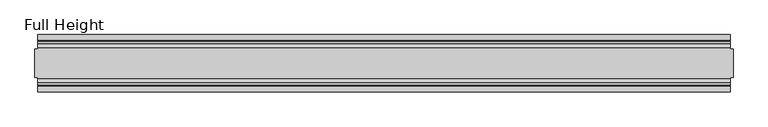
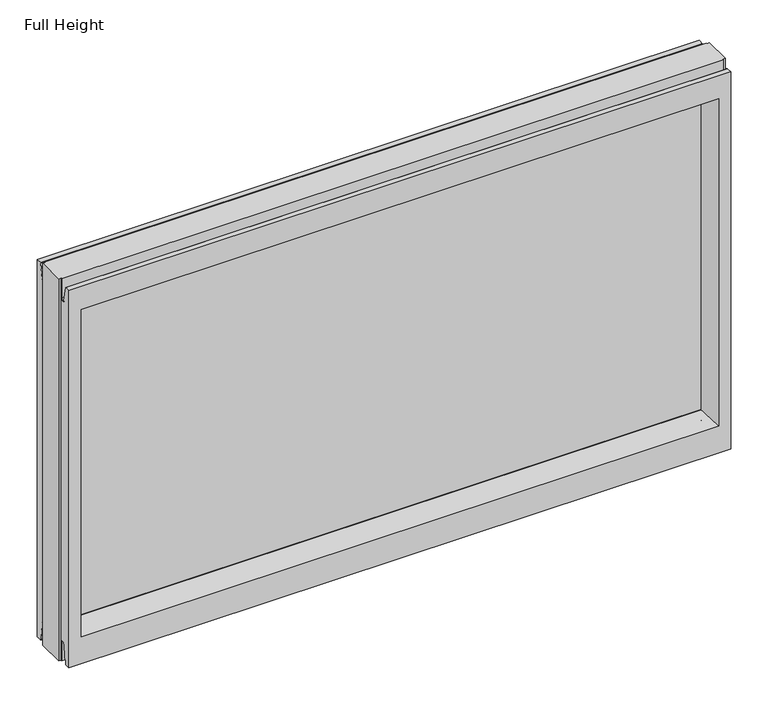
"""IFC4 building model written with IfcOpenShell, lengths in millimetres: plate geometry, Full Height."""

from ifc_helpers import new_model, si_unit, frame, origin, place, context, project, spatial, polyline, circle_curve, outline, extrude, source, transform, mapped, element, save
from ifc_brep_helpers import plane_surface, cylinder_surface, revolved_surface, advanced_brep


def full_height_c72b47f8(model_context):
    return source(origin(), model_context, "Body", "SolidModel", [
        advanced_brep(
        [(609.6, 25.146, 739.14), (605.028, 25.146, 739.14), (605.028, 26.67, 739.14), (-605.028, 26.67, 739.14), (-605.028, 25.146, 739.14), (-609.6, 25.146, 739.14), (-609.6, -25.146, 739.14), (-605.028, -25.146, 739.14), (-605.028, -26.67, 739.14), (605.028, -26.67, 739.14), (605.028, -25.146, 739.14), (609.6, -25.146, 739.14), (609.6, 25.146, 0.0), (609.6, -25.146, 0.0), (605.028, -25.146, 0.0), (605.028, -26.67, 0.0), (-605.028, -26.67, 0.0), (-605.028, -25.146, 0.0), (-609.6, -25.146, 0.0), (-609.6, 25.146, 0.0), (-605.028, 25.146, 0.0), (-605.028, 26.67, 0.0), (605.028, 26.67, 0.0), (605.028, 25.146, 0.0), (-605.028, 40.7946686, 0.0), (-605.028, 50.0, 0.0), (605.028, 50.0, 0.0), (605.028, 40.7946686, 0.0), (-605.028, 26.67, 36.4542208), (605.028, 26.67, 36.4542208), (-605.028, -26.67, 36.4542208), (-605.028, -34.2686707, 36.8568054), (-605.028, -36.9464913, 11.6561909), (-605.028, -39.043018, 8.6755976), (-605.028, -39.5246686, 7.9074686), (-605.028, -39.5246686, 1.27), (-605.028, -40.7946686, 0.0), (-605.028, -50.0, 0.0), (-605.028, -50.0, 729.996), (-605.028, -39.9371387, 729.996), (-605.028, -39.1867152, 729.3663199), (-605.028, -34.2321175, 701.2674004), (-605.028, -26.67, 701.929), (-605.028, 39.5246686, 1.27), (-605.028, 39.5246686, 7.9074686), (-605.028, 39.043018, 8.6755976), (-605.028, 36.9464913, 11.6561909), (-605.028, 34.2686707, 36.8568054), (-605.028, 26.67, 701.929), (-605.028, 34.2321175, 701.2674004), (-605.028, 39.1867152, 729.3663199), (-605.028, 39.9371387, 729.996), (-605.028, 50.0, 729.996), (605.028, -50.0, 0.0), (605.028, -50.0, 729.996), (-582.93, -50.0, 685.419), (582.93, -50.0, 685.419), (582.93, -50.0, 52.8372208), (-582.93, -50.0, 52.8372208), (605.028, 50.0, 729.996), (-582.93, 50.0, 52.8372208), (582.93, 50.0, 52.8372208), (582.93, 50.0, 685.419), (-582.93, 50.0, 685.419), (-576.961, -6.1006519, 58.8062208), (-576.961, -6.1006519, 679.45), (-576.961, 6.1006519, 679.45), (-576.961, 6.1006519, 58.8062208), (576.961, 6.1006519, 58.8062208), (576.961, 6.1006519, 679.45), (576.961, -6.1006519, 679.45), (576.961, -6.1006519, 58.8062208), (605.028, -40.7946686, 0.0), (605.028, -39.5246686, 1.27), (605.028, -39.5246686, 7.9074686), (605.028, -39.043018, 8.6755976), (605.028, -36.9464913, 11.6561909), (605.028, -34.2686707, 36.8568054), (605.028, -26.67, 36.4542208), (605.028, -26.67, 701.929), (605.028, -34.2321175, 701.2674004), (605.028, -39.1867152, 729.3663199), (605.028, -39.9371387, 729.996), (605.028, 39.9371387, 729.996), (605.028, 39.1867152, 729.3663199), (605.028, 34.2321175, 701.2674004), (605.028, 26.67, 701.929), (605.028, 34.2686707, 36.8568054), (605.028, 36.9464913, 11.6561909), (605.028, 39.043018, 8.6755976), (605.028, 39.5246686, 7.9074686), (605.028, 39.5246686, 1.27)],
        [
            (0, 1),
            (1, 2),
            (2, 3),
            (3, 4),
            (4, 5),
            (5, 6),
            (6, 7),
            (7, 8),
            (8, 9),
            (9, 10),
            (10, 11),
            (11, 0),
            (12, 13),
            (13, 14),
            (14, 15),
            (15, 16),
            (16, 17),
            (17, 18),
            (18, 19),
            (19, 20),
            (20, 21),
            (21, 22),
            (22, 23),
            (23, 12),
            (23, 1),
            (0, 12),
            (10, 14),
            (13, 11),
            (5, 19),
            (18, 6),
            (17, 7),
            (4, 20),
            (24, 25),
            (25, 26),
            (26, 27),
            (27, 24),
            (21, 28),
            (28, 29),
            (29, 22),
            (16, 30),
            (30, 31, circle_curve(frame((-605.028, -30.48, 36.4542208), z_axis=(1.0, 0.0, 0.0), x_axis=(0.0, -1.0, 0.0)), 3.81)),
            (31, 32),
            (32, 33, circle_curve(frame((-605.028, -40.6770502, 12.0526006), z_axis=(-1.0, 0.0, 0.0), x_axis=(0.0, -1.0, 0.0)), 3.751561)),
            (33, 34, circle_curve(frame((-605.028, -38.671343, 7.9074686), z_axis=(1.0, 0.0, 0.0), x_axis=(0.0, -1.0, 0.0)), 0.8533256)),
            (34, 35),
            (35, 36, circle_curve(frame((-605.028, -40.7946686, 1.27), z_axis=(-1.0, 0.0, 0.0), x_axis=(0.0, -1.0, 0.0)), 1.27)),
            (36, 37),
            (37, 38),
            (38, 39),
            (39, 40, circle_curve(frame((-605.028, -39.9371387, 729.234), z_axis=(-1.0, 0.0, 0.0), x_axis=(0.0, -1.0, 0.0)), 0.762)),
            (40, 41),
            (41, 42, circle_curve(frame((-605.028, -30.48, 701.929), z_axis=(1.0, 0.0, 0.0), x_axis=(0.0, -1.0, 0.0)), 3.81)),
            (42, 8),
            (24, 43, circle_curve(frame((-605.028, 40.7946686, 1.27), z_axis=(-1.0, 0.0, 0.0), x_axis=(0.0, -1.0, 0.0)), 1.27)),
            (43, 44),
            (44, 45, circle_curve(frame((-605.028, 38.671343, 7.9074686), z_axis=(1.0, 0.0, 0.0), x_axis=(0.0, -1.0, 0.0)), 0.8533256)),
            (45, 46, circle_curve(frame((-605.028, 40.6770502, 12.0526006), z_axis=(-1.0, 0.0, 0.0), x_axis=(0.0, -1.0, 0.0)), 3.751561)),
            (46, 47),
            (47, 28, circle_curve(frame((-605.028, 30.48, 36.4542208), z_axis=(1.0, 0.0, 0.0), x_axis=(0.0, -1.0, 0.0)), 3.81)),
            (3, 48),
            (48, 49, circle_curve(frame((-605.028, 30.48, 701.929), z_axis=(1.0, 0.0, 0.0), x_axis=(0.0, -1.0, 0.0)), 3.81)),
            (49, 50),
            (50, 51, circle_curve(frame((-605.028, 39.9371387, 729.234), z_axis=(-1.0, 0.0, 0.0), x_axis=(0.0, -1.0, 0.0)), 0.762)),
            (51, 52),
            (52, 25),
            (37, 53),
            (53, 54),
            (54, 38),
            (55, 56),
            (56, 57),
            (57, 58),
            (58, 55),
            (52, 59),
            (59, 26),
            (60, 61),
            (61, 62),
            (62, 63),
            (63, 60),
            (58, 64),
            (64, 65),
            (65, 55),
            (63, 66),
            (66, 67),
            (67, 60),
            (61, 68),
            (68, 69),
            (69, 62),
            (70, 71),
            (71, 57),
            (56, 70),
            (53, 72),
            (72, 73, circle_curve(frame((605.028, -40.7946686, 1.27), z_axis=(1.0, 0.0, 0.0), x_axis=(0.0, -1.0, 0.0)), 1.27)),
            (73, 74),
            (74, 75, circle_curve(frame((605.028, -38.671343, 7.9074686), z_axis=(-1.0, 0.0, 0.0), x_axis=(0.0, -1.0, 0.0)), 0.8533256)),
            (75, 76, circle_curve(frame((605.028, -40.6770502, 12.0526006), z_axis=(1.0, 0.0, 0.0), x_axis=(0.0, -1.0, 0.0)), 3.751561)),
            (76, 77),
            (77, 78, circle_curve(frame((605.028, -30.48, 36.4542208), z_axis=(-1.0, 0.0, 0.0), x_axis=(0.0, -1.0, 0.0)), 3.81)),
            (78, 15),
            (9, 79),
            (79, 80, circle_curve(frame((605.028, -30.48, 701.929), z_axis=(-1.0, 0.0, 0.0), x_axis=(0.0, -1.0, 0.0)), 3.81)),
            (80, 81),
            (81, 82, circle_curve(frame((605.028, -39.9371387, 729.234), z_axis=(1.0, 0.0, 0.0), x_axis=(0.0, -1.0, 0.0)), 0.762)),
            (82, 54),
            (59, 83),
            (83, 84, circle_curve(frame((605.028, 39.9371387, 729.234), z_axis=(1.0, 0.0, 0.0), x_axis=(0.0, -1.0, 0.0)), 0.762)),
            (84, 85),
            (85, 86, circle_curve(frame((605.028, 30.48, 701.929), z_axis=(-1.0, 0.0, 0.0), x_axis=(0.0, -1.0, 0.0)), 3.81)),
            (86, 2),
            (29, 87, circle_curve(frame((605.028, 30.48, 36.4542208), z_axis=(-1.0, 0.0, 0.0), x_axis=(0.0, -1.0, 0.0)), 3.81)),
            (87, 88),
            (88, 89, circle_curve(frame((605.028, 40.6770502, 12.0526006), z_axis=(1.0, 0.0, 0.0), x_axis=(0.0, -1.0, 0.0)), 3.751561)),
            (89, 90, circle_curve(frame((605.028, 38.671343, 7.9074686), z_axis=(-1.0, 0.0, 0.0), x_axis=(0.0, -1.0, 0.0)), 0.8533256)),
            (90, 91),
            (91, 27, circle_curve(frame((605.028, 40.7946686, 1.27), z_axis=(1.0, 0.0, 0.0), x_axis=(0.0, -1.0, 0.0)), 1.27)),
            (91, 43),
            (90, 44),
            (89, 45),
            (88, 46),
            (87, 47),
            (78, 30),
            (31, 77),
            (76, 32),
            (75, 33),
            (74, 34),
            (73, 35),
            (72, 36),
            (71, 64),
            (67, 68),
            (86, 48),
            (85, 49),
            (84, 50),
            (83, 51),
            (69, 66),
            (65, 70),
            (82, 39),
            (81, 40),
            (80, 41),
            (79, 42),
            (65, 66),
            (69, 70),
            (71, 68),
            (67, 64),
        ],
        [
            plane_surface(frame((605.028, 25.146, 739.14), z_axis=(0.0, 0.0, 1.0), x_axis=(-1.0, 0.0, 0.0))),
            plane_surface(frame((605.028, 25.146, 0.0), z_axis=(0.0, 0.0, -1.0), x_axis=(1.0, 0.0, 0.0))),
            plane_surface(frame((609.6, 25.146, 739.14), z_axis=(0.0, 1.0, 0.0), x_axis=(0.0, 0.0, -1.0))),
            plane_surface(frame((605.028, -25.146, 739.14), z_axis=(0.0, -1.0, 0.0), x_axis=(0.0, 0.0, -1.0))),
            plane_surface(frame((609.6, -25.146, 739.14), z_axis=(1.0, 0.0, 0.0), x_axis=(0.0, 0.0, -1.0))),
            plane_surface(frame((-609.6, 25.146, 739.14), z_axis=(-1.0, 0.0, 0.0), x_axis=(0.0, 0.0, -1.0))),
            plane_surface(frame((-609.6, -25.146, 739.14), z_axis=(0.0, -1.0, 0.0), x_axis=(0.0, 0.0, -1.0))),
            plane_surface(frame((-605.028, 25.146, 739.14), z_axis=(0.0, 1.0, 0.0), x_axis=(0.0, 0.0, -1.0))),
            plane_surface(frame((-605.028, 50.0, 0.0), z_axis=(0.0, 0.0, -1.0), x_axis=(1.0, 0.0, 0.0))),
            plane_surface(frame((-605.028, 26.67, 36.4542208), z_axis=(0.0, 1.0, 0.0), x_axis=(1.0, 0.0, 0.0))),
            plane_surface(frame((-605.028, 50.0, 697.2046), z_axis=(-1.0, 0.0, 0.0), x_axis=(0.0, 0.0, -1.0))),
            plane_surface(frame((-605.028, -50.0, 697.2046), z_axis=(0.0, -1.0, 0.0), x_axis=(0.0, 0.0, -1.0))),
            plane_surface(frame((-582.93, 50.0, 697.2046), z_axis=(0.0, 1.0, 0.0), x_axis=(0.0, 0.0, -1.0))),
            plane_surface(frame((-582.93, -50.0, 697.2046), z_axis=(0.9908822943533606, -0.13473039277393942, 0.0), x_axis=(0.0, 0.0, -1.0))),
            plane_surface(frame((-576.961, 6.1006519, 697.2046), z_axis=(0.9908822943533612, 0.13473039277393595, 0.0), x_axis=(0.0, 0.0, -1.0))),
            plane_surface(frame((582.93, 50.0, 697.2046), z_axis=(-0.9908822943533605, 0.1347303927739403, 0.0), x_axis=(0.0, 0.0, -1.0))),
            plane_surface(frame((576.961, -6.1006519, 697.2046), z_axis=(-0.9908822943533563, -0.13473039277397156, 0.0), x_axis=(0.0, 0.0, -1.0))),
            plane_surface(frame((605.028, -50.0, 697.2046), z_axis=(1.0, 0.0, 0.0), x_axis=(0.0, 0.0, -1.0))),
            cylinder_surface(frame((605.028, 40.7946686, 1.27), z_axis=(-1.0, 0.0, 0.0), x_axis=(0.0, -1.0, 0.0)), 1.27),
            plane_surface(frame((-605.028, 39.5246686, 1.27), z_axis=(0.0, -1.0, 0.0), x_axis=(1.0, 0.0, 0.0))),
            revolved_surface(polyline([(605.028, 37.8180174, 7.9074686), (-605.028, 37.8180174, 7.9074686)]), (605.028, 38.671343, 7.9074686), (1.0, 0.0, 0.0)),
            cylinder_surface(frame((605.028, 40.6770502, 12.0526006), z_axis=(-1.0, 0.0, 0.0), x_axis=(0.0, -1.0, 0.0)), 3.751561),
            plane_surface(frame((-605.028, 36.9464913, 11.6561909), z_axis=(0.0, -0.9944017560866673, -0.10566526151840223), x_axis=(1.0, 0.0, 0.0))),
            plane_surface(frame((-605.028, -26.67, 0.0), z_axis=(0.0, -1.0, 0.0), x_axis=(1.0, 0.0, 0.0))),
            plane_surface(frame((-605.028, -34.2686707, 36.8568054), z_axis=(0.0, 0.9944017560866221, -0.10566526151882734), x_axis=(1.0, 0.0, 0.0))),
            cylinder_surface(frame((605.028, -40.6770502, 12.0526006), z_axis=(-1.0, 0.0, 0.0), x_axis=(0.0, -1.0, 0.0)), 3.751561),
            revolved_surface(polyline([(605.028, -39.5246686, 7.9074686), (-605.028, -39.5246686, 7.9074686)]), (605.028, -38.671343, 7.9074686), (1.0, 0.0, 0.0)),
            plane_surface(frame((-605.028, -39.5246686, 7.9074686), z_axis=(0.0, 1.0, 0.0), x_axis=(1.0, 0.0, 0.0))),
            cylinder_surface(frame((605.028, -40.7946686, 1.27), z_axis=(-1.0, 0.0, 0.0), x_axis=(0.0, -1.0, 0.0)), 1.27),
            plane_surface(frame((-605.028, -40.7946686, 0.0), z_axis=(0.0, 0.0, -1.0), x_axis=(1.0, 0.0, 0.0))),
            plane_surface(frame((-605.028, -50.0, 52.8372208), z_axis=(0.0, -0.13473039277394736, 0.9908822943533596), x_axis=(1.0, 0.0, 0.0))),
            plane_surface(frame((-605.028, 6.1006519, 58.8062208), z_axis=(0.0, 0.13473039277399934, 0.9908822943533526), x_axis=(1.0, 0.0, 0.0))),
            revolved_surface(polyline([(605.028, 26.67, 36.4542208), (-605.028, 26.67, 36.4542208)]), (605.028, 30.48, 36.4542208), (1.0, 0.0, 0.0)),
            revolved_surface(polyline([(605.028, -34.29, 36.4542208), (-605.028, -34.29, 36.4542208)]), (605.028, -30.48, 36.4542208), (1.0, 0.0, 0.0)),
            plane_surface(frame((-605.028, 26.67, 739.14), z_axis=(0.0, 1.0, 0.0), x_axis=(1.0, 0.0, 0.0))),
            revolved_surface(polyline([(605.0280000000001, 26.67, 701.929), (-605.028, 26.67, 701.929)]), (-609.6, 30.48, 701.929), (1.0, 0.0, 0.0)),
            plane_surface(frame((-605.028, 34.2321175, 701.2674004), z_axis=(0.0, -0.9848077530113103, 0.17364817767202187), x_axis=(1.0, 0.0, 0.0))),
            cylinder_surface(frame((-609.6, 39.9371387, 729.234), z_axis=(-1.0, 0.0, 0.0), x_axis=(0.0, -1.0, 0.0)), 0.762),
            plane_surface(frame((-605.028, 39.9371387, 729.996), z_axis=(0.0, 0.0, 1.0), x_axis=(1.0, 0.0, 0.0))),
            plane_surface(frame((-605.028, 50.0, 685.419), z_axis=(0.0, 0.1347303927734858, -0.9908822943534225), x_axis=(1.0, 0.0, 0.0))),
            plane_surface(frame((-605.028, -6.1006519, 679.45), z_axis=(0.0, -0.13473039277251256, -0.9908822943535547), x_axis=(1.0, 0.0, 0.0))),
            plane_surface(frame((-605.028, -50.0, 729.996), z_axis=(0.0, 0.0, 1.0), x_axis=(1.0, 0.0, 0.0))),
            cylinder_surface(frame((-609.6, -39.9371387, 729.234), z_axis=(-1.0, 0.0, 0.0), x_axis=(0.0, -1.0, 0.0)), 0.762),
            plane_surface(frame((-605.028, -39.1867152, 729.3663199), z_axis=(0.0, 0.9848077530103844, 0.1736481776772735), x_axis=(1.0, 0.0, 0.0))),
            revolved_surface(polyline([(605.0280000000001, -34.29, 701.929), (-605.028, -34.29, 701.929)]), (-609.6, -30.48, 701.929), (1.0, 0.0, 0.0)),
            plane_surface(frame((-605.028, -26.67, 701.929), z_axis=(0.0, -1.0, 0.0), x_axis=(1.0, 0.0, 0.0))),
            plane_surface(frame((-605.028, 6.1006519, 679.45), z_axis=(0.0, 0.0, -1.0), x_axis=(1.0, 0.0, 0.0))),
            plane_surface(frame((-605.028, -6.1006519, 58.8062208), z_axis=(0.0, 0.0, 1.0), x_axis=(1.0, 0.0, 0.0))),
            plane_surface(frame((-576.961, -6.1006519, 697.2046), z_axis=(1.0, 0.0, 0.0), x_axis=(0.0, 0.0, -1.0))),
            plane_surface(frame((576.961, 6.1006519, 697.2046), z_axis=(-1.0, 0.0, 0.0), x_axis=(0.0, 0.0, -1.0))),
        ],
        [
            (0, [[1, 2, 3, 4, 5, 6, 7, 8, 9, 10, 11, 12]]),
            (1, [[13, 14, 15, 16, 17, 18, 19, 20, 21, 22, 23, 24]]),
            (2, [[25, -1, 26, -24]]),
            (3, [[-11, 27, -14, 28]]),
            (4, [[-12, -28, -13, -26]]),
            (5, [[-6, 29, -19, 30]]),
            (6, [[31, -7, -30, -18]]),
            (7, [[-5, 32, -20, -29]]),
            (8, [[33, 34, 35, 36]]),
            (9, [[37, 38, 39, -22]]),
            (10, [[-17, 40, 41, 42, 43, 44, 45, 46, 47, 48, 49, 50, 51, 52, 53, -8, -31]]),
            (10, [[-33, 54, 55, 56, 57, 58, 59, -37, -21, -32, -4, 60, 61, 62, 63, 64, 65]]),
            (11, [[-48, 66, 67, 68], [69, 70, 71, 72]]),
            (12, [[-65, 73, 74, -34], [75, 76, 77, 78]]),
            (13, [[-72, 79, 80, 81]]),
            (14, [[-78, 82, 83, 84]]),
            (15, [[-76, 85, 86, 87]]),
            (16, [[88, 89, -70, 90]]),
            (17, [[-67, 91, 92, 93, 94, 95, 96, 97, 98, -15, -27, -10, 99, 100, 101, 102, 103]]),
            (17, [[-74, 104, 105, 106, 107, 108, -2, -25, -23, -39, 109, 110, 111, 112, 113, 114, -35]]),
            (18, [[-54, -36, -114, 115]]),
            (19, [[-55, -115, -113, 116]]),
            (20, [[-56, -116, -112, 117]]),
            (21, [[-57, -117, -111, 118]]),
            (22, [[-58, -118, -110, 119]]),
            (23, [[-40, -16, -98, 120]]),
            (24, [[-42, 121, -96, 122]]),
            (25, [[-43, -122, -95, 123]]),
            (26, [[-44, -123, -94, 124]]),
            (27, [[-45, -124, -93, 125]]),
            (28, [[-46, -125, -92, 126]]),
            (29, [[-47, -126, -91, -66]]),
            (30, [[-71, -89, 127, -79]]),
            (31, [[-75, -84, 128, -85]]),
            (32, [[-59, -119, -109, -38]]),
            (33, [[-41, -120, -97, -121]]),
            (34, [[-60, -3, -108, 129]]),
            (35, [[-61, -129, -107, 130]]),
            (36, [[-62, -130, -106, 131]]),
            (37, [[-63, -131, -105, 132]]),
            (38, [[-64, -132, -104, -73]]),
            (39, [[-77, -87, 133, -82]]),
            (40, [[-69, -81, 134, -90]]),
            (41, [[-49, -68, -103, 135]]),
            (42, [[-50, -135, -102, 136]]),
            (43, [[-51, -136, -101, 137]]),
            (44, [[-52, -137, -100, 138]]),
            (45, [[-53, -138, -99, -9]]),
            (46, [[-134, 139, -133, 140]]),
            (47, [[-127, 141, -128, 142]]),
            (48, [[-83, -139, -80, -142]]),
            (49, [[-88, -140, -86, -141]]),
        ],
    ),
        extrude(outline(polyline([(-576.961, 4.826), (576.961, 4.826), (576.961, -4.826), (-576.961, -4.826), (-576.961, 4.826)])), frame((0.0, 0.0, 58.8062208), z_axis=(0.0, 0.0, 1.0), x_axis=(1.0, 0.0, 0.0)), (0.0, 0.0, 1.0), 620.6437792),
    ])


if __name__ == "__main__":
    model = new_model("IFC4")
    model_context = context("Model", 3, world=origin())
    ifc_project = project(units=[si_unit("LENGTHUNIT", "METRE", prefix="MILLI")], contexts=[model_context])
    site = spatial("IfcSite", under=ifc_project)
    building = spatial("IfcBuilding", under=site)
    placement = place(None, origin())
    full_height_shape = full_height_c72b47f8(model_context)
    element("IfcPlate", 1, ObjectType="Full Height", at=placement, inside=building, context=model_context, shape_type="MappedRepresentation", body=[
        mapped(full_height_shape, transform((0.0, 0.0, 0.0), x_axis=(1.0, 0.0, 0.0), y_axis=(0.0, 1.0, 0.0), z_axis=(0.0, 0.0, 1.0))),
    ])
    save(model, "model.ifc")
